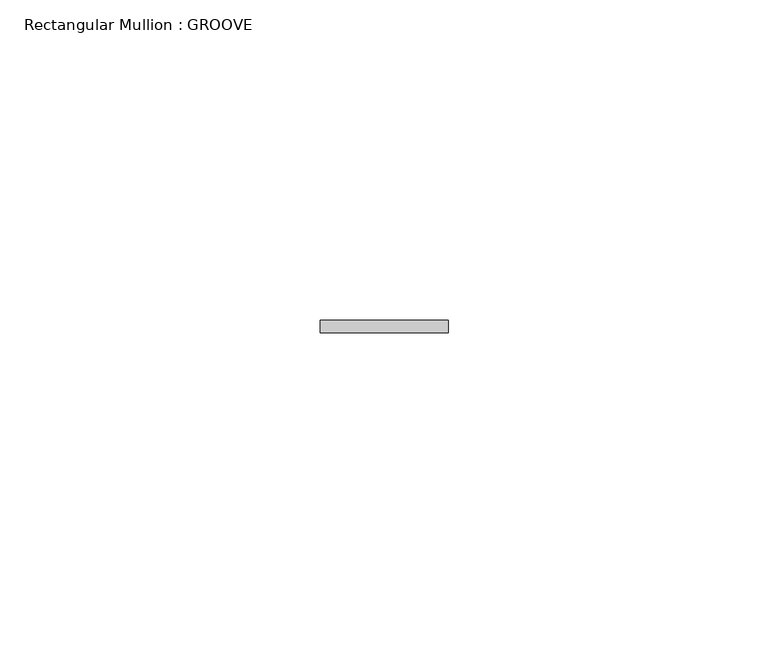
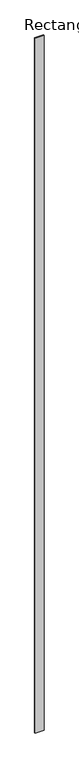
"""IFC4 building model written with IfcOpenShell, lengths in millimetres: member geometry, Rectangular Mullion : GROOVE."""

from ifc_helpers import new_model, si_unit, frame, origin, place, context, project, spatial, polyline, outline, extrude, source, transform, mapped, element, save


def rectangular_mullion_groove_716025d2(model_context):
    return source(origin(), model_context, "Body", "SweptSolid", [
        extrude(outline(polyline([(10.0, 51.0), (10.0, 49.0), (-10.0, 49.0), (-10.0, 51.0), (10.0, 51.0)])), frame((0.0, 0.0, -1686.2934936), z_axis=(0.0, 0.0, 1.0), x_axis=(1.0, 0.0, 0.0)), (0.0, 0.0, 1.0), 1686.2934936),
    ])


if __name__ == "__main__":
    model = new_model("IFC4")
    model_context = context("Model", 3, world=origin())
    ifc_project = project(units=[si_unit("LENGTHUNIT", "METRE", prefix="MILLI")], contexts=[model_context])
    site = spatial("IfcSite", under=ifc_project)
    building = spatial("IfcBuilding", under=site)
    placement = place(None, origin())
    rectangular_mullion_groove_shape = rectangular_mullion_groove_716025d2(model_context)
    element("IfcMember", 1, ObjectType="Rectangular Mullion : GROOVE", at=placement, inside=building, context=model_context, shape_type="MappedRepresentation", body=[
        mapped(rectangular_mullion_groove_shape, transform((0.0, 0.0, 0.0), x_axis=(1.0, 0.0, 0.0), y_axis=(0.0, 1.0, 0.0), z_axis=(0.0, 0.0, 1.0))),
    ])
    save(model, "model.ifc")
